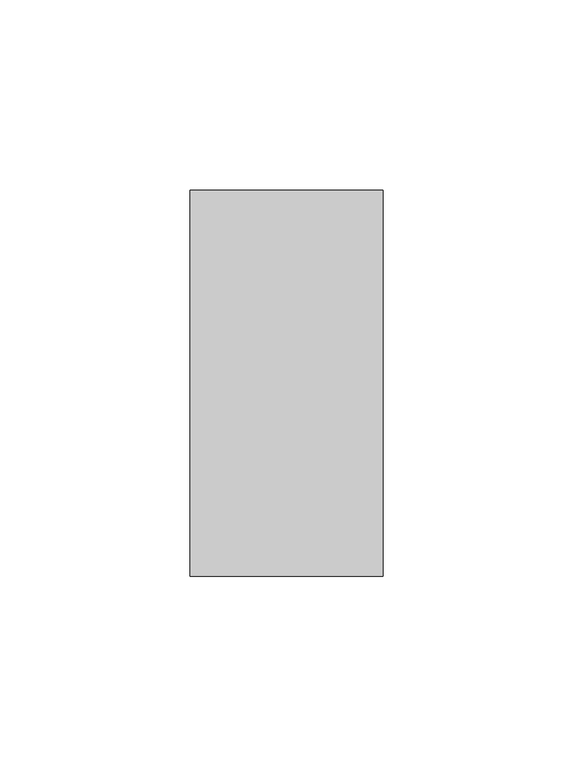
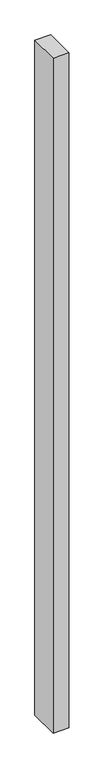
"""IFC4 building model written with IfcOpenShell, lengths in millimetres: proxy geometry."""

from ifc_helpers import new_model, si_unit, origin, origin_with_axes, place, context, project, spatial, polyline, outline, extrude, source, transform, mapped, element, save


def generic_models_da77b9c6(model_context):
    return source(origin(), model_context, "Body", "SweptSolid", [
        extrude(outline(polyline([(50.8, 0.0), (0.0, 0.0), (0.0, 101.6), (50.8, 101.6), (50.8, 0.0)])), origin_with_axes(), (0.0, 0.0, 1.0), 2300.0),
    ])


if __name__ == "__main__":
    model = new_model("IFC4")
    model_context = context("Model", 3, world=origin())
    ifc_project = project(units=[si_unit("LENGTHUNIT", "METRE", prefix="MILLI")], contexts=[model_context])
    site = spatial("IfcSite", under=ifc_project)
    building = spatial("IfcBuilding", under=site)
    placement = place(None, origin())
    generic_models_shape = generic_models_da77b9c6(model_context)
    element("IfcBuildingElementProxy", 1, Name="Generic Models", at=placement, inside=building, context=model_context, shape_type="MappedRepresentation", body=[
        mapped(generic_models_shape, transform((0.0, 0.0, 0.0), x_axis=(1.0, 0.0, 0.0), y_axis=(0.0, 1.0, 0.0), z_axis=(0.0, 0.0, 1.0))),
    ])
    save(model, "model.ifc")
